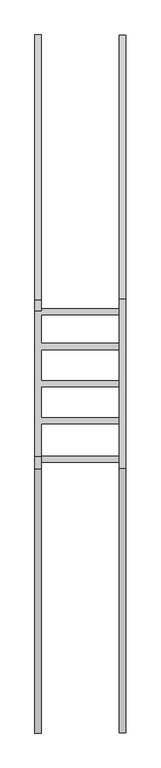
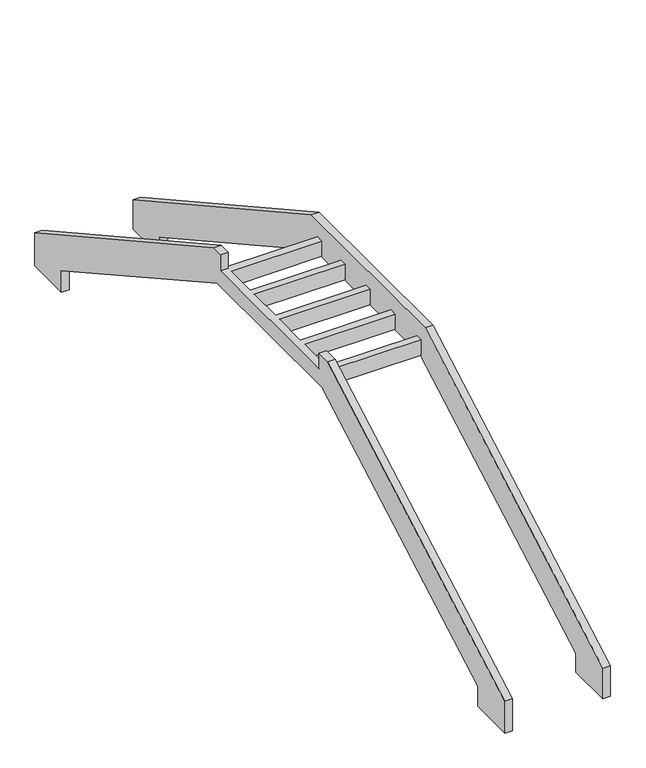
"""IFC4 building model written with IfcOpenShell, lengths in millimetres: stair geometry."""

from ifc_helpers import new_model, si_unit, origin, place, context, project, spatial, faceted_brep, source, transform, mapped, element, save


def stair_0d7eae8f(model_context):
    return source(origin(), model_context, "Body", "Brep", [
        faceted_brep([(-112500.4035531, 80994.6695898, -2228.5450619), (-112500.4035531, 84568.1787496, -221.1765302), (-112500.4035531, 86992.0593835, -221.1765302), (-112500.4035531, 90554.0016123, -2201.5289761), (-112500.4035531, 90554.0016123, -2453.5005751), (-112500.4035531, 91163.6668623, -2453.5005751), (-112500.4035531, 91163.6668623, -2043.5702522), (-112500.4035531, 87076.5541649, 228.7640832), (-112500.4035531, 84456.5319998, 228.7640832), (-112500.4035531, 80375.0489012, -2063.9516672), (-112500.4035531, 80375.0489012, -2494.9395685), (-112500.4035531, 80994.6695898, -2494.9395685), (-112600.5996494, 80994.6695898, -2228.5450619), (-112600.5996494, 80994.6695898, -2494.9395685), (-112600.5996494, 80375.0489012, -2494.9395685), (-112600.5996494, 80375.0489012, -2063.9516672), (-112600.5996494, 84456.5319998, 228.7640832), (-112600.5996494, 87076.5541649, 228.7640832), (-112600.5996494, 91163.6668623, -2043.5702522), (-112600.5996494, 91163.6668623, -2453.5005751), (-112600.5996494, 90554.0016123, -2453.5005751), (-112600.5996494, 90554.0016123, -2201.5289761), (-112600.5996494, 86992.0593835, -221.1765302), (-112600.5996494, 84568.1787496, -221.1765302), (-112600.5996494, 84558.2254649, -213.9867204), (-112600.5996494, 84653.1984081, -213.9867204), (-112600.5996494, 84653.1984081, 0.875), (-112600.5996494, 84558.2254649, 0.875), (-112600.5996494, 85151.4259356, -213.9867204), (-112600.5996494, 85246.3988787, -213.9867204), (-112600.5996494, 85246.3988787, 0.875), (-112600.5996494, 85151.4259356, 0.875), (-112600.5996494, 85723.204218, -213.9867204), (-112600.5996494, 85818.1771612, -213.9867204), (-112600.5996494, 85818.1771612, 0.875), (-112600.5996494, 85723.204218, 0.875), (-112600.5996494, 86301.2602904, -213.9867204), (-112600.5996494, 86396.2332336, -213.9867204), (-112600.5996494, 86396.2332336, 0.875), (-112600.5996494, 86301.2602904, 0.875), (-112600.5996494, 86836.4955768, -213.9867204), (-112600.5996494, 86933.96852, -213.9867204), (-112600.5996494, 86933.96852, 0.875), (-112600.5996494, 86836.4955768, 0.875), (-113803.1452364, 80989.6966466, -2236.7541083), (-113803.1452364, 84577.819517, -221.1765302), (-113803.1452364, 86977.0864403, -221.1765302), (-113803.1452364, 90559.0286691, -2212.6484851), (-113803.1452364, 90559.0286691, -2513.5005751), (-113803.1452364, 91168.6939192, -2513.5005751), (-113803.1452364, 91168.6939192, -2054.6897613), (-113803.1452364, 87061.5812218, 228.7640832), (-113803.1452364, 86903.5648151, 228.7640832), (-113803.1452364, 86903.5648151, 0.875), (-113803.1452364, 86933.96852, 0.875), (-113803.1452364, 86933.96852, -213.9867204), (-113803.1452364, 86836.4955768, -213.9867204), (-113803.1452364, 86836.4955768, 0.875), (-113803.1452364, 86396.2332336, 0.875), (-113803.1452364, 86396.2332336, -213.9867204), (-113803.1452364, 86301.2602904, -213.9867204), (-113803.1452364, 86301.2602904, 0.875), (-113803.1452364, 85818.1771612, 0.875), (-113803.1452364, 85818.1771612, -213.9867204), (-113803.1452364, 85723.204218, -213.9867204), (-113803.1452364, 85723.204218, 0.875), (-113803.1452364, 85246.3988787, 0.875), (-113803.1452364, 85246.3988787, -213.9867204), (-113803.1452364, 85151.4259356, -213.9867204), (-113803.1452364, 85151.4259356, 0.875), (-113803.1452364, 84653.1984081, 0.875), (-113803.1452364, 84653.1984081, -213.9867204), (-113803.1452364, 84558.2254649, -213.9867204), (-113803.1452364, 84558.2254649, 0.875), (-113803.1452364, 84642.3229303, 0.875), (-113803.1452364, 84642.3229303, 218.7640832), (-113803.1452364, 84448.3708085, 218.7640832), (-113803.1452364, 80370.075958, -2072.1607137), (-113803.1452364, 80370.075958, -2514.9395685), (-113803.1452364, 80989.6966466, -2514.9395685), (-113903.3413328, 80989.6966466, -2236.7541083), (-113903.3413328, 80989.6966466, -2514.9395685), (-113903.3413328, 80370.075958, -2514.9395685), (-113903.3413328, 80370.075958, -2072.1607137), (-113903.3413328, 84448.3708085, 218.7640832), (-113903.3413328, 84642.3229303, 218.7640832), (-113903.3413328, 84642.3229303, 0.875), (-113903.3413328, 86903.5648151, 0.875), (-113903.3413328, 86903.5648151, 228.7640832), (-113903.3413328, 87061.5812218, 228.7640832), (-113903.3413328, 91168.6939192, -2054.6897613), (-113903.3413328, 91168.6939192, -2513.5005751), (-113903.3413328, 90559.0286691, -2513.5005751), (-113903.3413328, 90559.0286691, -2212.6484851), (-113903.3413328, 86977.0864403, -221.1765302), (-113903.3413328, 84577.819517, -221.1765302)], [[[0, 1, 2, 3, 4, 5, 6, 7, 8, 9, 10, 11]], [[12, 13, 14, 15, 16, 17, 18, 19, 20, 21, 22, 23], [24, 25, 26, 27], [28, 29, 30, 31], [32, 33, 34, 35], [36, 37, 38, 39], [40, 41, 42, 43]], [[1, 0, 12, 23]], [[2, 1, 23, 22]], [[3, 2, 22, 21]], [[4, 3, 21, 20]], [[5, 4, 20, 19]], [[6, 5, 19, 18]], [[7, 6, 18, 17]], [[8, 7, 17, 16]], [[9, 8, 16, 15]], [[10, 9, 15, 14]], [[11, 10, 14, 13]], [[0, 11, 13, 12]], [[44, 45, 46, 47, 48, 49, 50, 51, 52, 53, 54, 55, 56, 57, 58, 59, 60, 61, 62, 63, 64, 65, 66, 67, 68, 69, 70, 71, 72, 73, 74, 75, 76, 77, 78, 79]], [[80, 81, 82, 83, 84, 85, 86, 87, 88, 89, 90, 91, 92, 93, 94, 95]], [[45, 44, 80, 95]], [[46, 45, 95, 94]], [[47, 46, 94, 93]], [[48, 47, 93, 92]], [[49, 48, 92, 91]], [[50, 49, 91, 90]], [[51, 50, 90, 89]], [[52, 51, 89, 88]], [[77, 76, 84, 83]], [[78, 77, 83, 82]], [[79, 78, 82, 81]], [[44, 79, 81, 80]], [[87, 53, 52, 88]], [[75, 74, 86, 85]], [[76, 75, 85, 84]], [[25, 24, 72, 71]], [[26, 25, 71, 70]], [[27, 26, 70, 69, 31, 30, 66, 65, 35, 34, 62, 61, 39, 38, 58, 57, 43, 42, 54, 53, 87, 86, 74, 73]], [[24, 27, 73, 72]], [[29, 28, 68, 67]], [[30, 29, 67, 66]], [[28, 31, 69, 68]], [[33, 32, 64, 63]], [[34, 33, 63, 62]], [[32, 35, 65, 64]], [[37, 36, 60, 59]], [[38, 37, 59, 58]], [[36, 39, 61, 60]], [[41, 40, 56, 55]], [[42, 41, 55, 54]], [[40, 43, 57, 56]]]),
    ])


if __name__ == "__main__":
    model = new_model("IFC4")
    model_context = context("Model", 3, world=origin())
    ifc_project = project(units=[si_unit("LENGTHUNIT", "METRE", prefix="MILLI")], contexts=[model_context])
    site = spatial("IfcSite", under=ifc_project)
    building = spatial("IfcBuilding", under=site)
    placement = place(None, origin())
    stair_shape = stair_0d7eae8f(model_context)
    element("IfcStair", 1, at=placement, inside=building, context=model_context, shape_type="MappedRepresentation", body=[
        mapped(stair_shape, transform((0.0, 0.0, 0.0), x_axis=(1.0, 0.0, 0.0), y_axis=(0.0, 1.0, 0.0), z_axis=(0.0, 0.0, 1.0))),
    ])
    save(model, "model.ifc")
